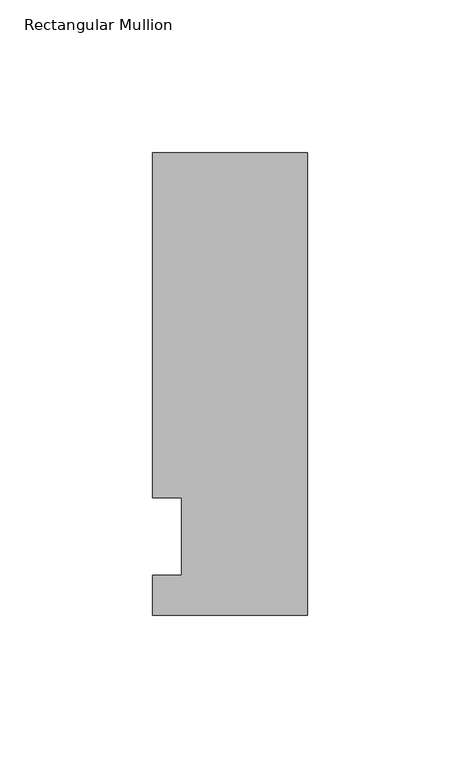
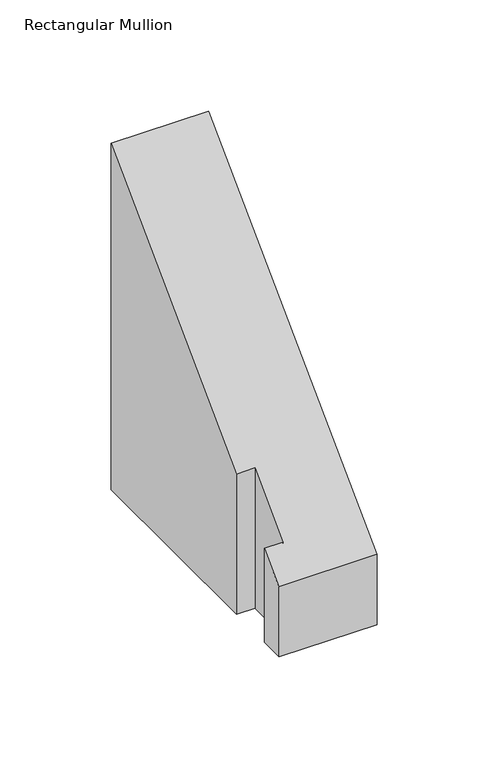
"""IFC4 building model written with IfcOpenShell, lengths in millimetres: member geometry, Rectangular Mullion."""

from ifc_helpers import new_model, si_unit, origin, place, context, project, spatial, faceted_brep, source, transform, mapped, element, save


def rectangular_mullion_b1d54616(model_context):
    return source(origin(), model_context, "Body", "Brep", [
        faceted_brep([(-50.8, -25.7961253, -64.44615), (-50.8, -12.7, -64.44615), (-41.275, -12.7, -64.44615), (-41.275, 12.7, -64.44615), (-50.8, 12.7, -64.44615), (-50.8, 125.8036906, -64.44615), (0.0, 125.8036906, -64.44615), (0.0, -25.7961253, -64.44615), (0.0, -25.7961253, -25.7961253), (-50.8, -25.7961253, -25.7961253), (0.0, 125.8036906, 125.8036906), (-50.8, 125.8036906, 125.8036906), (-50.8, 12.7, 12.7), (-41.275, 12.7, 12.7), (-41.275, -12.7, -12.7), (-50.8, -12.7, -12.7)], [[[0, 1, 2, 3, 4, 5, 6, 7]], [[8, 9, 0, 7]], [[10, 8, 7, 6]], [[11, 10, 6, 5]], [[12, 11, 5, 4]], [[13, 12, 4, 3]], [[14, 13, 3, 2]], [[15, 14, 2, 1]], [[9, 15, 1, 0]], [[9, 8, 10, 11, 12, 13, 14, 15]]]),
    ])


if __name__ == "__main__":
    model = new_model("IFC4")
    model_context = context("Model", 3, world=origin())
    ifc_project = project(units=[si_unit("LENGTHUNIT", "METRE", prefix="MILLI")], contexts=[model_context])
    site = spatial("IfcSite", under=ifc_project)
    building = spatial("IfcBuilding", under=site)
    placement = place(None, origin())
    rectangular_mullion_shape = rectangular_mullion_b1d54616(model_context)
    element("IfcMember", 1, ObjectType="Rectangular Mullion", at=placement, inside=building, context=model_context, shape_type="MappedRepresentation", body=[
        mapped(rectangular_mullion_shape, transform((0.0, 0.0, 0.0), x_axis=(1.0, 0.0, 0.0), y_axis=(0.0, 1.0, 0.0), z_axis=(0.0, 0.0, 1.0))),
    ])
    save(model, "model.ifc")
